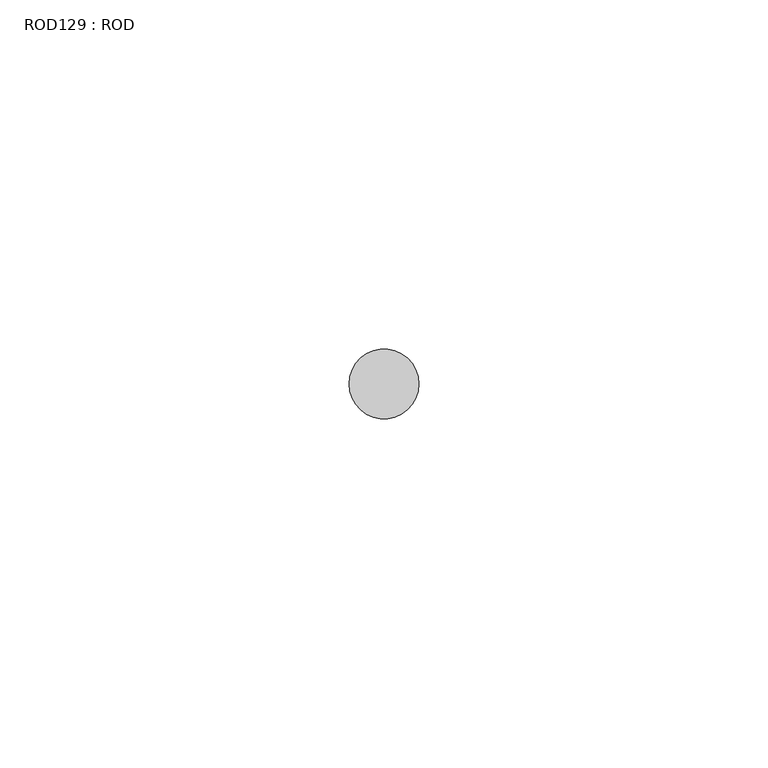
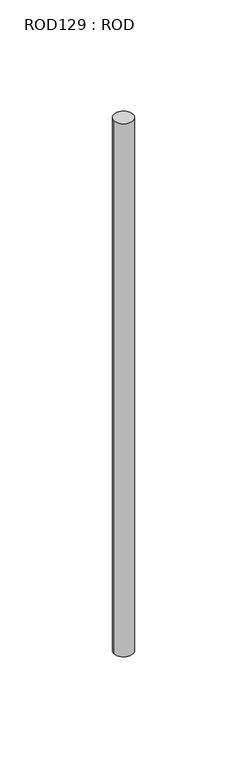
"""IFC4 building model written with IfcOpenShell, lengths in millimetres: proxy geometry, ROD129 : ROD."""

from ifc_helpers import new_model, si_unit, point, frame, frame_2d, origin, place, context, project, spatial, circle_curve, trimmed, segment, composite_curve, outline, extrude, source, transform, mapped, element, save


def rod129_rod_dd296d87(model_context):
    return source(origin(), model_context, "Body", "SweptSolid", [
        extrude(outline(composite_curve([segment(trimmed(circle_curve(frame_2d((2779.7673324, -12414.6300853)), 5.0), [point((2774.7673324, -12414.6300853))], [point((2784.7673324, -12414.6300853))], False, "CARTESIAN"), True, "CONTINUOUS"), segment(trimmed(circle_curve(frame_2d((2779.7673324, -12414.6300853)), 5.0), [point((2784.7673324, -12414.6300853))], [point((2774.7673324, -12414.6300853))], False, "CARTESIAN"), True, "CONTINUOUS")], self_intersect=False)), frame((0.0, 0.0, -208.6608845), z_axis=(0.0, 0.0, 1.0), x_axis=(1.0, 0.0, 0.0)), (0.0, 0.0, 1.0), 298.9028972),
    ])


if __name__ == "__main__":
    model = new_model("IFC4")
    model_context = context("Model", 3, world=origin())
    ifc_project = project(units=[si_unit("LENGTHUNIT", "METRE", prefix="MILLI")], contexts=[model_context])
    site = spatial("IfcSite", under=ifc_project)
    building = spatial("IfcBuilding", under=site)
    placement = place(None, origin())
    rod129_rod_shape = rod129_rod_dd296d87(model_context)
    element("IfcBuildingElementProxy", 1, Name="ROD129 : ROD", ObjectType="ROD129 : ROD", at=placement, inside=building, context=model_context, shape_type="MappedRepresentation", body=[
        mapped(rod129_rod_shape, transform((0.0, 0.0, 0.0), x_axis=(1.0, 0.0, 0.0), y_axis=(0.0, 1.0, 0.0), z_axis=(0.0, 0.0, 1.0))),
    ])
    save(model, "model.ifc")
